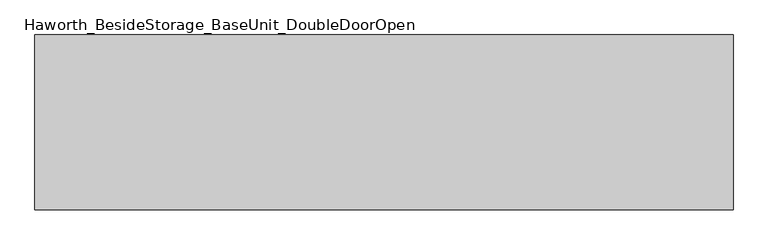
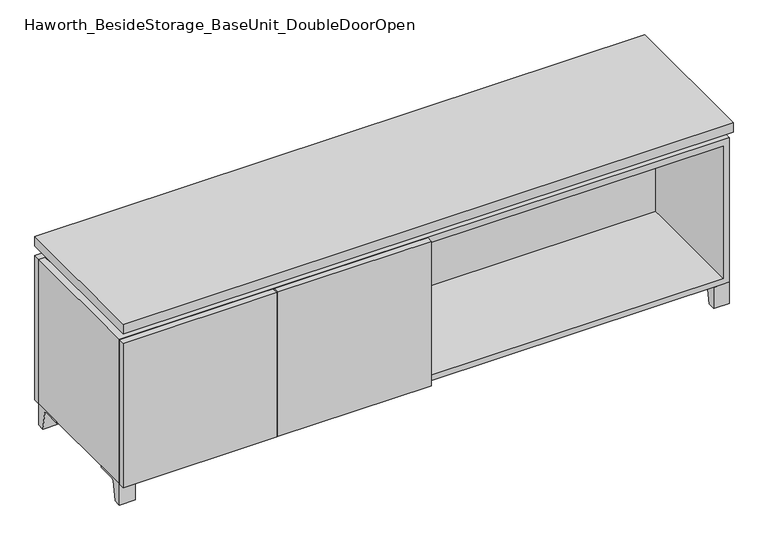
"""IFC4 building model written with IfcOpenShell, lengths in millimetres: furniture geometry, Haworth_BesideStorage_BaseUnit_DoubleDoorOpen."""

from ifc_helpers import new_model, si_unit, point, frame, frame_2d, origin, place, context, project, spatial, polyline, circle_curve, trimmed, segment, composite_curve, outline, extrude, faceted_brep, source, transform, mapped, element, save


def haworth_besidestorage_baseunit_doubledooropen_83981e0c(model_context):
    return source(origin(), model_context, "Body", "SolidModel", [
        extrude(outline(composite_curve([segment(polyline([(44.9791531, 0.0), (22.225, 0.0), (22.225, 66.675), (117.475, 66.675), (117.475, 61.8963321), (60.6744655, 61.8963321)]), True, "CONTINUOUS"), segment(trimmed(circle_curve(frame_2d((60.6744655, 55.5463321)), 6.35), [point((60.6744655, 61.8963321))], [point((54.4108641, 56.5902656))], True, "CARTESIAN"), True, "CONTINUOUS"), segment(polyline([(54.4108641, 56.5902656), (44.9791531, 0.0)]), True, "CONTINUOUS")], self_intersect=False)), frame((-23.7986094, 0.0, 0.0), z_axis=(1.0, 0.0, 0.0), x_axis=(0.0, 1.0, 0.0)), (0.0, 0.0, 1.0), 47.625),
        extrude(outline(composite_curve([segment(polyline([(-123.2958469, 0.0), (-146.05, 0.0), (-146.05, 66.675), (-50.8, 66.675), (-50.8, 61.8963321), (-107.6005345, 61.8963321)]), True, "CONTINUOUS"), segment(trimmed(circle_curve(frame_2d((-107.6005345, 55.5463321)), 6.35), [point((-107.6005345, 61.8963321))], [point((-113.8641359, 56.5902656))], True, "CARTESIAN"), True, "CONTINUOUS"), segment(polyline([(-113.8641359, 56.5902656), (-123.2958469, 0.0)]), True, "CONTINUOUS")], self_intersect=False)), frame((865.2013906, 0.0, 0.0), z_axis=(1.0, 0.0, 0.0), x_axis=(0.0, 1.0, 0.0)), (0.0, 0.0, 1.0), 47.625),
        extrude(outline(composite_curve([segment(polyline([(250.2958469, 0.0), (240.8641359, 56.5902656)]), True, "CONTINUOUS"), segment(trimmed(circle_curve(frame_2d((234.6005345, 55.5463321)), 6.35), [point((240.8641359, 56.5902656))], [point((234.6005345, 61.8963321))], True, "CARTESIAN"), True, "CONTINUOUS"), segment(polyline([(234.6005345, 61.8963321), (177.8, 61.8963321), (177.8, 66.675), (273.05, 66.675), (273.05, 0.0), (250.2958469, 0.0)]), True, "CONTINUOUS")], self_intersect=False)), frame((865.2013906, 0.0, 0.0), z_axis=(1.0, 0.0, 0.0), x_axis=(0.0, 1.0, 0.0)), (0.0, 0.0, 1.0), 47.625),
        extrude(outline(composite_curve([segment(polyline([(-123.2958469, 0.0), (-146.05, 0.0), (-146.05, 66.675), (-50.8, 66.675), (-50.8, 61.8963321), (-107.6005345, 61.8963321)]), True, "CONTINUOUS"), segment(trimmed(circle_curve(frame_2d((-107.6005345, 55.5463321)), 6.35), [point((-107.6005345, 61.8963321))], [point((-113.8641359, 56.5902656))], True, "CARTESIAN"), True, "CONTINUOUS"), segment(polyline([(-113.8641359, 56.5902656), (-123.2958469, 0.0)]), True, "CONTINUOUS")], self_intersect=False)), frame((-912.7986094, 0.0, 0.0), z_axis=(1.0, 0.0, 0.0), x_axis=(0.0, 1.0, 0.0)), (0.0, 0.0, 1.0), 47.625),
        extrude(outline(composite_curve([segment(polyline([(250.2958469, 0.0), (240.8641359, 56.5902656)]), True, "CONTINUOUS"), segment(trimmed(circle_curve(frame_2d((234.6005345, 55.5463321)), 6.35), [point((240.8641359, 56.5902656))], [point((234.6005345, 61.8963321))], True, "CARTESIAN"), True, "CONTINUOUS"), segment(polyline([(234.6005345, 61.8963321), (177.8, 61.8963321), (177.8, 66.675), (273.05, 66.675), (273.05, 0.0), (250.2958469, 0.0)]), True, "CONTINUOUS")], self_intersect=False)), frame((-912.7986094, 0.0, 0.0), z_axis=(1.0, 0.0, 0.0), x_axis=(0.0, 1.0, 0.0)), (0.0, 0.0, 1.0), 47.625),
        faceted_brep([(-912.7986094, -146.05, 66.675), (912.8125, -146.05, 66.675), (912.8125, -146.05, 523.875), (-912.7986094, -146.05, 523.875), (-893.7486094, -146.05, 85.725), (-893.7486094, -146.05, 504.825), (893.7694453, -146.05, 504.825), (893.7486094, -146.05, 85.725), (-912.7986094, 273.05, 66.675), (-912.7986094, 273.05, 523.875), (-893.7486094, 273.05, 523.875), (-893.7486094, 273.05, 85.725), (893.7486094, 273.05, 85.725), (893.7486094, 273.05, 523.875), (912.8125, 273.05, 523.875), (912.8125, 273.05, 66.675), (893.7486094, 247.65, 523.875), (-893.7416641, 247.65, 523.875), (-893.7486094, 247.65, 504.825), (893.7486094, 247.65, 504.825)], [[[0, 1, 2, 3], [4, 5, 6, 7]], [[8, 9, 10, 11, 12, 13, 14, 15]], [[1, 0, 8, 15]], [[2, 1, 15, 14]], [[3, 2, 14, 13, 16, 17, 10, 9]], [[0, 3, 9, 8]], [[11, 10, 17, 18, 5, 4]], [[13, 12, 7, 6, 19, 16]], [[4, 7, 12, 11]], [[6, 5, 18, 19]], [[17, 16, 19, 18]]]),
        extrude(outline(polyline([(912.8263906, -165.1), (-912.7986094, -165.1), (-912.7986094, 292.1), (912.8263906, 292.1), (912.8263906, -165.1)])), frame((0.0, 0.0, 554.0375), z_axis=(0.0, 0.0, 1.0), x_axis=(1.0, 0.0, 0.0)), (0.0, 0.0, 1.0), 30.1625),
        faceted_brep([(7.9513906, -69.85, 554.0375), (7.9513906, -69.85, 523.875), (7.9513906, 53.975, 523.875), (7.9513906, 53.975, 554.0375), (7.9513906, 196.85, 523.875), (7.9513906, 196.85, 554.0375), (7.9513906, 73.025, 554.0375), (7.9513906, 73.025, 523.875), (-7.9236094, 196.85, 554.0375), (-7.9236094, 196.85, 523.875), (-7.9236094, 73.025, 523.875), (-7.9236094, 73.025, 554.0375), (-7.9236094, -69.85, 523.875), (-7.9236094, -69.85, 554.0375), (-7.9236094, 53.975, 554.0375), (-7.9236094, 53.975, 523.875), (-871.4958281, 73.025, 554.0375), (-871.5166641, 247.65, 554.0375), (-887.3916641, 247.65, 554.0375), (-887.3916641, -120.65, 554.0375), (-871.5166641, -120.65, 554.0375), (-871.5166641, 53.975, 554.0375), (871.5236094, 53.975, 554.0375), (871.5236094, -120.65, 554.0375), (887.3986094, -120.65, 554.0375), (887.3986094, 247.65, 554.0375), (871.5236094, 247.65, 554.0375), (871.5236094, 73.025, 554.0375), (-871.4958281, 53.975, 523.875), (-871.5166641, -120.65, 523.875), (-887.3916641, -120.65, 523.875), (-887.3916641, 247.65, 523.875), (-871.5166641, 247.65, 523.875), (-871.5166641, 73.025, 523.875), (871.5236094, 73.025, 523.875), (871.5236094, 247.65, 523.875), (887.3986094, 247.65, 523.875), (887.3986094, -120.65, 523.875), (871.5236094, -120.65, 523.875), (871.5236094, 53.975, 523.875)], [[[0, 1, 2, 3]], [[4, 5, 6, 7]], [[8, 9, 10, 11]], [[12, 13, 14, 15]], [[5, 8, 11, 16, 17, 18, 19, 20, 21, 14, 13, 0, 3, 22, 23, 24, 25, 26, 27, 6]], [[1, 12, 15, 28, 29, 30, 31, 32, 33, 10, 9, 4, 7, 34, 35, 36, 37, 38, 39, 2]], [[5, 4, 9, 8]], [[1, 0, 13, 12]], [[6, 27, 34, 7]], [[22, 3, 2, 39]], [[20, 29, 28, 21]], [[32, 17, 16, 33]], [[18, 31, 30, 19]], [[29, 20, 19, 30]], [[17, 32, 31, 18]], [[26, 35, 34, 27]], [[38, 23, 22, 39]], [[25, 24, 37, 36]], [[23, 38, 37, 24]], [[35, 26, 25, 36]], [[16, 11, 10, 33]], [[14, 21, 28, 15]]]),
        extrude(outline(polyline([(9.5388906, 203.2), (9.5388906, -146.05), (-9.5111094, -146.05), (-9.5111094, 203.2), (9.5388906, 203.2)])), frame((0.0, 0.0, 85.725), z_axis=(0.0, 0.0, 1.0), x_axis=(1.0, 0.0, 0.0)), (0.0, 0.0, 1.0), 419.1),
        extrude(outline(polyline([(912.8263906, 273.05), (-912.7986094, 273.05), (-912.7986094, 292.1), (912.8263906, 292.1), (912.8263906, 273.05)])), frame((0.0, 0.0, 66.675), z_axis=(0.0, 0.0, 1.0), x_axis=(1.0, 0.0, 0.0)), (0.0, 0.0, 1.0), 457.2),
        extrude(outline(polyline([(-893.7416641, 203.2), (-893.7416641, 209.55), (893.7694453, 209.55), (893.7694453, 203.2), (-893.7416641, 203.2)])), frame((0.0, 0.0, 85.725), z_axis=(0.0, 0.0, 1.0), x_axis=(1.0, 0.0, 0.0)), (0.0, 0.0, 1.0), 419.1),
        extrude(outline(polyline([(9.5388906, -165.1), (-450.0423594, -165.1), (-450.0423594, -146.05), (9.5388906, -146.05), (9.5388906, -165.1)])), frame((0.0, 0.0, 66.675), z_axis=(0.0, 0.0, 1.0), x_axis=(1.0, 0.0, 0.0)), (0.0, 0.0, 1.0), 457.2),
        extrude(outline(polyline([(-453.2173594, -165.1), (-912.7986094, -165.1), (-912.7986094, -146.05), (-453.2173594, -146.05), (-453.2173594, -165.1)])), frame((0.0, 0.0, 66.675), z_axis=(0.0, 0.0, 1.0), x_axis=(1.0, 0.0, 0.0)), (0.0, 0.0, 1.0), 457.2),
    ])


if __name__ == "__main__":
    model = new_model("IFC4")
    model_context = context("Model", 3, world=origin())
    ifc_project = project(units=[si_unit("LENGTHUNIT", "METRE", prefix="MILLI")], contexts=[model_context])
    site = spatial("IfcSite", under=ifc_project)
    building = spatial("IfcBuilding", under=site)
    placement = place(None, origin())
    haworth_besidestorage_baseunit_doubledooropen_shape = haworth_besidestorage_baseunit_doubledooropen_83981e0c(model_context)
    element("IfcFurniture", 1, ObjectType="Haworth_BesideStorage_BaseUnit_DoubleDoorOpen", at=placement, inside=building, context=model_context, shape_type="MappedRepresentation", body=[
        mapped(haworth_besidestorage_baseunit_doubledooropen_shape, transform((0.0, 0.0, 0.0), x_axis=(1.0, 0.0, 0.0), y_axis=(0.0, 1.0, 0.0), z_axis=(0.0, 0.0, 1.0))),
    ])
    save(model, "model.ifc")
